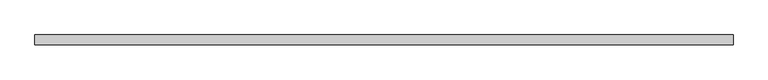
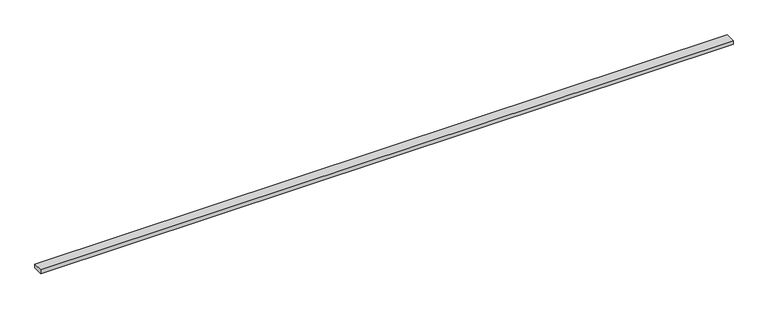
"""IFC4 building model written with IfcOpenShell, lengths in millimetres: beam geometry."""

from ifc_helpers import new_model, si_unit, frame, origin, place, context, project, spatial, polyline, outline, extrude, source, transform, mapped, element, save


def beam_1147a853(model_context):
    return source(origin(), model_context, "Body", "SweptSolid", [
        extrude(outline(polyline([(-1567.0, -22.5), (-1567.0, 22.5), (1567.0, 22.5), (1567.0, -22.5), (-1567.0, -22.5)])), frame((0.0, 0.0, -9.0), z_axis=(0.0, 0.0, 1.0), x_axis=(1.0, 0.0, 0.0)), (0.0, 0.0, 1.0), 18.0),
    ])


if __name__ == "__main__":
    model = new_model("IFC4")
    model_context = context("Model", 3, world=origin())
    ifc_project = project(units=[si_unit("LENGTHUNIT", "METRE", prefix="MILLI")], contexts=[model_context])
    site = spatial("IfcSite", under=ifc_project)
    building = spatial("IfcBuilding", under=site)
    placement = place(None, origin())
    beam_shape = beam_1147a853(model_context)
    element("IfcBeam", 1, at=placement, inside=building, context=model_context, shape_type="MappedRepresentation", body=[
        mapped(beam_shape, transform((0.0, 0.0, 0.0), x_axis=(1.0, 0.0, 0.0), y_axis=(0.0, 1.0, 0.0), z_axis=(0.0, 0.0, 1.0))),
    ])
    save(model, "model.ifc")
